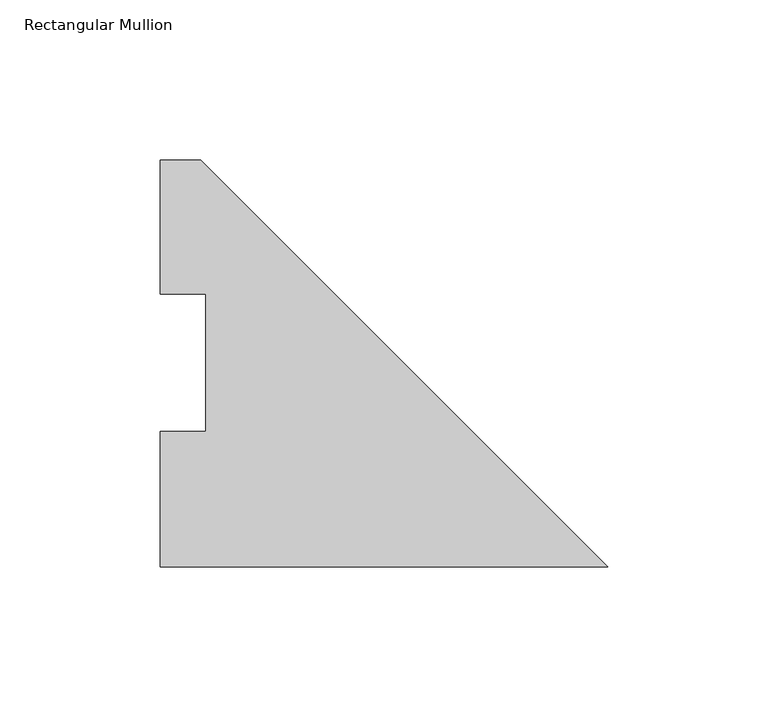
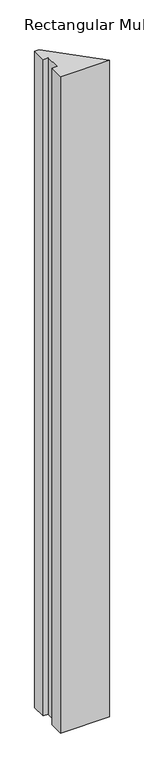
"""IFC4 building model written with IfcOpenShell, lengths in millimetres: member geometry, Rectangular Mullion."""

import ifcopenshell
import ifcopenshell.guid

model = None  # the IFC model being written
_history = None  # IfcOwnerHistory: only IFC2X3 demands one
_inside = {}  # id of a spatial element -> (the spatial element, [elements in it])
_under = {}  # id of a project, library or spatial element -> (it, [spatial elements below it])
_declared = {}  # id of a project -> (the project, [libraries it declares])
_typed = {}  # id of a type object -> (the type object, [elements of that type])
_made_of = {}  # id of a material, layer set ... -> (it, [elements and type objects made of it])


def new_model(schema):
    """Start an empty IFC model of exactly this schema.

    Asked for "IFC4X3", IfcOpenShell would pick the latest addendum, in which some entities
    have other attributes; the version numbers below select the first issue.
    IFC2X3 requires an IfcOwnerHistory on every rooted entity: one is made here for all.
    """
    global model, _history
    if schema == "IFC4X3":
        model = ifcopenshell.file(schema_version=(4, 3, 0, 0))
    else:
        model = ifcopenshell.file(schema=schema)
    _inside.clear()
    _under.clear()
    _declared.clear()
    _typed.clear()
    _made_of.clear()
    _history = None
    if model.schema == "IFC2X3":
        org = make("IfcOrganization", Name="unknown")
        user = make(
            "IfcPersonAndOrganization",
            ThePerson=make("IfcPerson", FamilyName="unknown"),
            TheOrganization=org,
        )
        app = make(
            "IfcApplication",
            ApplicationDeveloper=org,
            Version="unknown",
            ApplicationFullName="unknown",
            ApplicationIdentifier="unknown",
        )
        _history = make(
            "IfcOwnerHistory",
            OwningUser=user,
            OwningApplication=app,
            ChangeAction="ADDED",
            CreationDate=0,
        )
    return model


def make(cls, **values):
    """One entity of the class cls with the attributes given. An attribute that is None is left unset."""
    return model.create_entity(
        cls, **{name: value for name, value in values.items() if value is not None}
    )


def rooted(cls, **values):
    """An entity with a GlobalId (a new one), such as an element, a storey or a relation."""
    return make(cls, GlobalId=ifcopenshell.guid.new(), OwnerHistory=_history, **values)


def si_unit(unit_type, name, prefix=None):
    """IfcSIUnit, for example si_unit("LENGTHUNIT", "METRE", prefix="MILLI")."""
    return make("IfcSIUnit", UnitType=unit_type, Prefix=prefix, Name=name)


def assignment(units):
    """IfcUnitAssignment: the units of a project."""
    return None if units is None else make("IfcUnitAssignment", Units=units)


def point(xyz):
    """IfcCartesianPoint."""
    return None if xyz is None else make("IfcCartesianPoint", Coordinates=xyz)


def direction(xyz):
    """IfcDirection."""
    return None if xyz is None else make("IfcDirection", DirectionRatios=xyz)


def frame(location, z_axis=None, x_axis=None):
    """IfcAxis2Placement3D, a coordinate frame: its origin and axes. An axis left out is left unset."""
    return make(
        "IfcAxis2Placement3D",
        Location=point(location),
        Axis=direction(z_axis),
        RefDirection=direction(x_axis),
    )


def origin():
    """The frame at (0, 0, 0) with its axes left unset."""
    return frame((0.0, 0.0, 0.0))


def place(relative_to, where):
    """IfcLocalPlacement: puts the frame where relative to a parent placement (None: the world)."""
    return make(
        "IfcLocalPlacement", PlacementRelTo=relative_to, RelativePlacement=where
    )


def context(
    kind, dimensions, precision=None, world=None, true_north=None, identifier=None
):
    """IfcGeometricRepresentationContext, for example the 3D "Model" context."""
    return make(
        "IfcGeometricRepresentationContext",
        ContextIdentifier=identifier,
        ContextType=kind,
        CoordinateSpaceDimension=dimensions,
        Precision=precision,
        WorldCoordinateSystem=world,
        TrueNorth=true_north,
    )


def project(units=None, contexts=None):
    """IfcProject with its units and contexts."""
    return rooted(
        "IfcProject",
        Name="project",
        RepresentationContexts=contexts,
        UnitsInContext=assignment(units),
    )


def spatial(cls, under=None, at=None, **own):
    """A site, building, storey or space (cls), placed at a placement, below another one or the project."""
    s = rooted(cls, ObjectPlacement=at, **own)
    if under is not None:
        _under.setdefault(under.id(), (under, []))[1].append(s)
    return s


def polyline(points):
    """IfcPolyline through the points."""
    return make("IfcPolyline", Points=[point(p) for p in points])


def outline(outer, holes=None, kind="AREA"):
    """IfcArbitraryClosedProfileDef: a profile drawn as a closed curve; with holes, ...WithVoids."""
    if holes is None:
        return make("IfcArbitraryClosedProfileDef", ProfileType=kind, OuterCurve=outer)
    return make(
        "IfcArbitraryProfileDefWithVoids",
        ProfileType=kind,
        OuterCurve=outer,
        InnerCurves=holes,
    )


def extrude(swept, where, along, depth):
    """IfcExtrudedAreaSolid: the profile swept, set in the frame where, extruded along a direction by depth."""
    return make(
        "IfcExtrudedAreaSolid",
        SweptArea=swept,
        Position=where,
        ExtrudedDirection=direction(along),
        Depth=depth,
    )


def shape(context_of_items, identifier, shape_type, items):
    """IfcShapeRepresentation: the items that make up one representation, for example the "Body"."""
    return make(
        "IfcShapeRepresentation",
        ContextOfItems=context_of_items,
        RepresentationIdentifier=identifier,
        RepresentationType=shape_type,
        Items=items,
    )


def source(mapping_origin, context_of_items, identifier, shape_type, items):
    """IfcRepresentationMap: a shape defined once, which mapped items show again and again."""
    return make(
        "IfcRepresentationMap",
        MappingOrigin=mapping_origin,
        MappedRepresentation=shape(context_of_items, identifier, shape_type, items),
    )


def transform(
    local_origin,
    x_axis=None,
    y_axis=None,
    z_axis=None,
    scale=None,
    scale2=None,
    scale3=None,
    uniform=True,
):
    """IfcCartesianTransformationOperator3D, or its non-uniform kind. x_axis, y_axis, z_axis: its Axis1, 2, 3."""
    if uniform:
        return make(
            "IfcCartesianTransformationOperator3D",
            Axis1=direction(x_axis),
            Axis2=direction(y_axis),
            LocalOrigin=point(local_origin),
            Scale=scale,
            Axis3=direction(z_axis),
        )
    return make(
        "IfcCartesianTransformationOperator3DnonUniform",
        Axis1=direction(x_axis),
        Axis2=direction(y_axis),
        LocalOrigin=point(local_origin),
        Scale=scale,
        Axis3=direction(z_axis),
        Scale2=scale2,
        Scale3=scale3,
    )


def mapped(mapping_source, mapping_target):
    """IfcMappedItem: shows the shape of a source again, moved by a transform."""
    return make(
        "IfcMappedItem", MappingSource=mapping_source, MappingTarget=mapping_target
    )


def made_of(thing, what):
    """Note that an element or type object is made of a material, layer set ...; save() writes the relation."""
    if what is not None:
        _made_of.setdefault(what.id(), (what, []))[1].append(thing)
    return thing


def element(
    cls,
    number,
    at=None,
    inside=None,
    cuts=None,
    type_object=None,
    material=None,
    context=None,
    identifier="Body",
    shape_type=None,
    held_by="IfcProductDefinitionShape",
    body=None,
    shapes=None,
    **own,
):
    """One element of the class cls, such as IfcWall. Its Tag is "e" and its number.

    at: its placement. inside: the storey or other place that contains it. cuts: it is an
    opening in that element (IfcRelVoidsElement). A single representation is given by context,
    identifier, shape_type and body (its items); several are given by shapes. held_by: the class
    of the entity that holds the representations. save() writes the other relations.
    """
    e = rooted(cls, Tag="e%d" % number, ObjectPlacement=at, **own)
    if body is not None:
        shapes = [shape(context, identifier, shape_type, body)]
    if shapes is not None:
        e.Representation = make(held_by, Representations=shapes)
    if inside is not None:
        _inside.setdefault(inside.id(), (inside, []))[1].append(e)
    if cuts is not None:
        rooted(
            "IfcRelVoidsElement", RelatingBuildingElement=cuts, RelatedOpeningElement=e
        )
    if type_object is not None:
        _typed.setdefault(type_object.id(), (type_object, []))[1].append(e)
    return made_of(e, material)


def aggregate(whole, parts):
    """IfcRelAggregates: a whole, such as a stair, and the parts it consists of."""
    return rooted("IfcRelAggregates", RelatingObject=whole, RelatedObjects=parts)


def save(model, path):
    """Write the relations noted so far, then the file.

    IfcRelAggregates (storeys below a building ...), IfcRelContainedInSpatialStructure (elements
    in a storey), IfcRelDefinesByType, IfcRelAssociatesMaterial and IfcRelDeclares: one each for
    every whole, place, type object, material and project.
    """
    for whole, parts in _under.values():
        aggregate(whole, parts)
    for where, things in _inside.values():
        rooted(
            "IfcRelContainedInSpatialStructure",
            RelatedElements=things,
            RelatingStructure=where,
        )
    for kind, things in _typed.values():
        rooted("IfcRelDefinesByType", RelatedObjects=things, RelatingType=kind)
    for what, things in _made_of.values():
        rooted("IfcRelAssociatesMaterial", RelatedObjects=things, RelatingMaterial=what)
    for by, libraries in _declared.values():
        rooted("IfcRelDeclares", RelatingContext=by, RelatedDefinitions=libraries)
    model.write(path)


def rectangular_mullion_76be1538(model_context):
    return source(origin(), model_context, "Body", "SweptSolid", [
        extrude(outline(polyline([(-139.7, 126.9705908), (-127.0, 126.9705908), (0.0, -0.0294092), (-139.7, -0.0294092), (-139.7, 42.2798875), (-125.41504, 42.2798875), (-125.41504, 85.1296875), (-139.7, 85.1296875), (-139.7, 126.9705908)])), frame((0.0, 0.0, -1980.9591858), z_axis=(0.0, 0.0, 1.0), x_axis=(1.0, 0.0, 0.0)), (0.0, 0.0, 1.0), 1980.9591858),
    ])


if __name__ == "__main__":
    model = new_model("IFC4")
    model_context = context("Model", 3, world=origin())
    ifc_project = project(units=[si_unit("LENGTHUNIT", "METRE", prefix="MILLI")], contexts=[model_context])
    site = spatial("IfcSite", under=ifc_project)
    building = spatial("IfcBuilding", under=site)
    placement = place(None, origin())
    rectangular_mullion_shape = rectangular_mullion_76be1538(model_context)
    element("IfcMember", 1, ObjectType="Rectangular Mullion", at=placement, inside=building, context=model_context, shape_type="MappedRepresentation", body=[
        mapped(rectangular_mullion_shape, transform((0.0, 0.0, 0.0), x_axis=(1.0, 0.0, 0.0), y_axis=(0.0, 1.0, 0.0), z_axis=(0.0, 0.0, 1.0))),
    ])
    save(model, "model.ifc")
